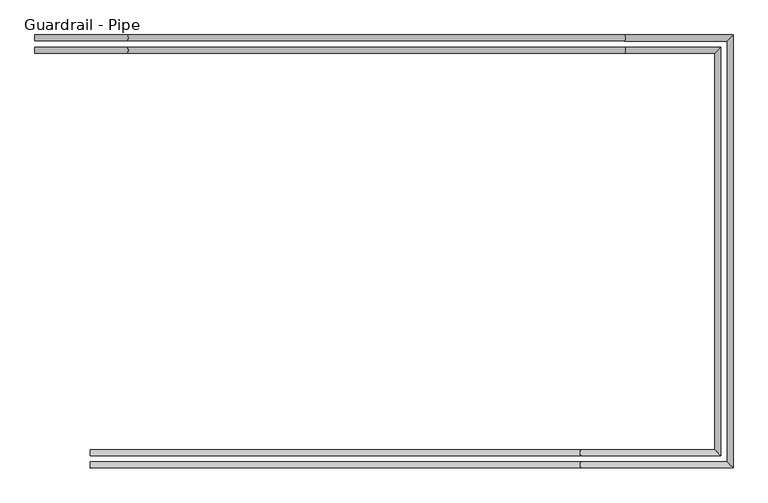
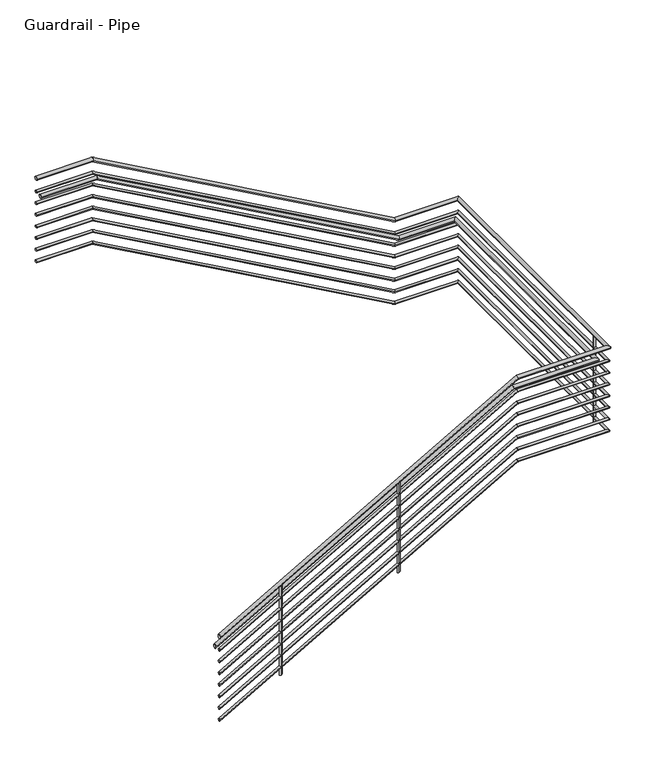
"""IFC4 building model written with IfcOpenShell, lengths in millimetres: railing geometry, Guardrail - Pipe."""

from ifc_helpers import new_model, si_unit, point, frame, frame_2d, origin, place, context, project, spatial, circle_curve, ellipse_curve, trimmed, segment, composite_curve, outline, extrude, source, transform, mapped, element, save
from ifc_brep_helpers import plane_surface, cylinder_surface, advanced_brep


def guardrail_pipe_d7b10b3a(model_context):
    return source(origin(), model_context, "Body", "SolidModel", [
        advanced_brep(
        [(2369.5904629, -21101.8840928, 12325.35), (2369.5904629, -21063.7840928, 12325.35), (2948.8126111, -21101.8840928, 12325.35), (2948.8126111, -21063.7840928, 12325.35), (6067.4829188, -21101.8840928, 10576.0630435), (6067.4829188, -21063.7840928, 10576.0630435), (6709.6952881, -21101.8840928, 10576.0630435), (6747.7952881, -21063.7840928, 10576.0630435), (6709.6952881, -23740.9587769, 10576.0630435), (6747.7952881, -23779.0587769, 10576.0630435), (5793.9869162, -23740.9587769, 10576.0630435), (5793.9869162, -23779.0587769, 10576.0630435), (2715.5452881, -23740.9587769, 8823.9065437), (2715.5452881, -23779.0587769, 8823.9065437)],
        [
            (0, 1, circle_curve(frame((2369.5904629, -21082.8340928, 12325.35), z_axis=(-1.0, 0.0, 0.0), x_axis=(0.0, 1.0, 0.0)), 19.05)),
            (1, 0, circle_curve(frame((2369.5904629, -21082.8340928, 12325.35), z_axis=(-1.0, 0.0, 0.0), x_axis=(0.0, 1.0, 0.0)), 19.05)),
            (0, 2),
            (2, 3, ellipse_curve(frame((2948.8126111, -21082.8340928, 12325.35), z_axis=(-0.96751439811608, 0.0, 0.2528159200645391), x_axis=(-0.25281592006453923, 0.0, -0.96751439811608)), 19.6896295, 19.05)),
            (3, 1),
            (3, 2, ellipse_curve(frame((2948.8126111, -21082.8340928, 12325.35), z_axis=(-0.96751439811608, 0.0, 0.2528159200645391), x_axis=(-0.25281592006453923, 0.0, -0.96751439811608)), 19.6896295, 19.05)),
            (2, 4),
            (4, 5, ellipse_curve(frame((6067.4829188, -21082.8340928, 10576.0630435), z_axis=(-0.96751439811608, 0.0, 0.2528159200645391), x_axis=(0.25281592006453923, 0.0, 0.9675143981160799)), 19.6896295, 19.05)),
            (5, 3),
            (5, 4, ellipse_curve(frame((6067.4829188, -21082.8340928, 10576.0630435), z_axis=(-0.96751439811608, 0.0, 0.2528159200645391), x_axis=(0.25281592006453923, 0.0, 0.9675143981160799)), 19.6896295, 19.05)),
            (4, 6),
            (6, 7, ellipse_curve(frame((6728.7452881, -21082.8340928, 10576.0630435), z_axis=(-0.7071067811865435, 0.7071067811865515, 0.0), x_axis=(-0.7071067811865516, -0.7071067811865434, 0.0)), 26.9407684, 19.05)),
            (7, 5),
            (7, 6, ellipse_curve(frame((6728.7452881, -21082.8340928, 10576.0630435), z_axis=(-0.7071067811865435, 0.7071067811865515, 0.0), x_axis=(-0.7071067811865516, -0.7071067811865434, 0.0)), 26.9407684, 19.05)),
            (6, 8),
            (8, 9, ellipse_curve(frame((6728.7452881, -23760.0087769, 10576.0630435), z_axis=(0.7071067811865516, 0.7071067811865435, 0.0), x_axis=(-0.7071067811865435, 0.7071067811865516, 0.0)), 26.9407684, 19.05)),
            (9, 7),
            (9, 8, ellipse_curve(frame((6728.7452881, -23760.0087769, 10576.0630435), z_axis=(0.7071067811865516, 0.7071067811865435, 0.0), x_axis=(-0.7071067811865435, 0.7071067811865516, 0.0)), 26.9407684, 19.05)),
            (8, 10),
            (10, 11, ellipse_curve(frame((5793.9869162, -23760.0087769, 10576.0630435), z_axis=(0.9667180176221511, 0.0, 0.2558442385606879), x_axis=(0.2558442385606882, 0.0, -0.9667180176221513)), 19.7058497, 19.05)),
            (11, 9),
            (11, 10, ellipse_curve(frame((5793.9869162, -23760.0087769, 10576.0630435), z_axis=(0.9667180176221511, 0.0, 0.2558442385606879), x_axis=(0.2558442385606882, 0.0, -0.9667180176221513)), 19.7058497, 19.05)),
            (12, 13, ellipse_curve(frame((2715.5452881, -23760.0087769, 8823.9065437), z_axis=(-1.0, 0.0, 0.0), x_axis=(0.0, 0.0, 1.0)), 21.9195433, 19.05)),
            (13, 12, ellipse_curve(frame((2715.5452881, -23760.0087769, 8823.9065437), z_axis=(-1.0, 0.0, 0.0), x_axis=(0.0, 0.0, 1.0)), 21.9195433, 19.05)),
            (10, 12),
            (13, 11),
        ],
        [
            plane_surface(frame((2369.5904629, -21082.8340928, 12344.4), z_axis=(-1.0, 0.0, 0.0), x_axis=(0.0, 1.0, 0.0))),
            cylinder_surface(frame((2369.5904629, -21082.8340928, 12325.35), z_axis=(-1.0, 0.0, 0.0), x_axis=(0.0, 1.0, 0.0)), 19.05),
            cylinder_surface(frame((2944.471087, -21082.8340928, 12327.7851954), z_axis=(-0.8721682211238412, 0.0, 0.4892060854708111), x_axis=(0.0, 1.0, 0.0)), 19.05),
            cylinder_surface(frame((6072.4607706, -21082.8340928, 10576.0630435), z_axis=(-1.0, 0.0, 0.0), x_axis=(0.0, 1.0, 0.0)), 19.05),
            cylinder_surface(frame((6728.7452881, -21082.8340928, 10576.0630435), z_axis=(0.0, 1.0, 0.0), x_axis=(1.0, 0.0, 0.0)), 19.05),
            cylinder_surface(frame((6728.7452881, -23760.0087769, 10576.0630435), z_axis=(1.0, 0.0, 0.0), x_axis=(0.0, -1.0, 0.0)), 19.05),
            plane_surface(frame((2715.5452881, -23760.0087769, 8845.826087), z_axis=(-1.0, 0.0, 0.0), x_axis=(0.0, -1.0, 0.0))),
            cylinder_surface(frame((5798.3685319, -23760.0087769, 10578.5569275), z_axis=(0.8690874511906037, 0.0, 0.49465847024287385), x_axis=(0.0, -1.0, 0.0)), 19.05),
        ],
        [
            (0, [[1, 2]]),
            (1, [[-1, 3, 4, 5]]),
            (1, [[-2, -5, 6, -3]]),
            (2, [[-4, 7, 8, 9]]),
            (2, [[-6, -9, 10, -7]]),
            (3, [[-8, 11, 12, 13]]),
            (3, [[-10, -13, 14, -11]]),
            (4, [[-12, 15, 16, 17]]),
            (4, [[-14, -17, 18, -15]]),
            (5, [[-16, 19, 20, 21]]),
            (5, [[-18, -21, 22, -19]]),
            (6, [[23, 24]]),
            (7, [[-20, 25, -24, 26]]),
            (7, [[-22, -26, -23, -25]]),
        ],
    ),
        advanced_brep(
        [(2369.5904629, -21095.5340928, 12179.3), (2369.5904629, -21070.1340928, 12179.3), (2950.471895, -21095.5340928, 12179.3), (2950.471895, -21070.1340928, 12179.3), (6069.1422027, -21095.5340928, 10430.0130435), (6069.1422027, -21070.1340928, 10430.0130435), (6716.0452881, -21095.5340928, 10430.0130435), (6741.4452881, -21070.1340928, 10430.0130435), (6716.0452881, -23747.3087769, 10430.0130435), (6741.4452881, -23772.7087769, 10430.0130435), (5792.3063735, -23747.3087769, 10430.0130435), (5792.3063735, -23772.7087769, 10430.0130435), (2715.5452881, -23747.3087769, 8678.8130581), (2715.5452881, -23772.7087769, 8678.8130581)],
        [
            (0, 1, circle_curve(frame((2369.5904629, -21082.8340928, 12179.3), z_axis=(-1.0, 0.0, 0.0), x_axis=(0.0, 1.0, 0.0)), 12.7)),
            (1, 0, circle_curve(frame((2369.5904629, -21082.8340928, 12179.3), z_axis=(-1.0, 0.0, 0.0), x_axis=(0.0, 1.0, 0.0)), 12.7)),
            (0, 2),
            (2, 3, ellipse_curve(frame((2950.471895, -21082.8340928, 12179.3), z_axis=(-0.96751439811608, 0.0, 0.2528159200645391), x_axis=(-0.25281592006453923, 0.0, -0.96751439811608)), 13.1264196, 12.7)),
            (3, 1),
            (3, 2, ellipse_curve(frame((2950.471895, -21082.8340928, 12179.3), z_axis=(-0.96751439811608, 0.0, 0.2528159200645391), x_axis=(-0.25281592006453923, 0.0, -0.96751439811608)), 13.1264196, 12.7)),
            (2, 4),
            (4, 5, ellipse_curve(frame((6069.1422027, -21082.8340928, 10430.0130435), z_axis=(-0.96751439811608, 0.0, 0.2528159200645391), x_axis=(0.25281592006453923, 0.0, 0.9675143981160799)), 13.1264196, 12.7)),
            (5, 3),
            (5, 4, ellipse_curve(frame((6069.1422027, -21082.8340928, 10430.0130435), z_axis=(-0.96751439811608, 0.0, 0.2528159200645391), x_axis=(0.25281592006453923, 0.0, 0.9675143981160799)), 13.1264196, 12.7)),
            (4, 6),
            (6, 7, ellipse_curve(frame((6728.7452881, -21082.8340928, 10430.0130435), z_axis=(-0.7071067811865435, 0.7071067811865515, 0.0), x_axis=(-0.7071067811865516, -0.7071067811865434, 0.0)), 17.9605122, 12.7)),
            (7, 5),
            (7, 6, ellipse_curve(frame((6728.7452881, -21082.8340928, 10430.0130435), z_axis=(-0.7071067811865435, 0.7071067811865515, 0.0), x_axis=(-0.7071067811865516, -0.7071067811865434, 0.0)), 17.9605122, 12.7)),
            (6, 8),
            (8, 9, ellipse_curve(frame((6728.7452881, -23760.0087769, 10430.0130435), z_axis=(0.7071067811865516, 0.7071067811865435, 0.0), x_axis=(-0.7071067811865435, 0.7071067811865516, 0.0)), 17.9605122, 12.7)),
            (9, 7),
            (9, 8, ellipse_curve(frame((6728.7452881, -23760.0087769, 10430.0130435), z_axis=(0.7071067811865516, 0.7071067811865435, 0.0), x_axis=(-0.7071067811865435, 0.7071067811865516, 0.0)), 17.9605122, 12.7)),
            (8, 10),
            (10, 11, ellipse_curve(frame((5792.3063735, -23760.0087769, 10430.0130435), z_axis=(0.9667180176221511, 0.0, 0.2558442385606879), x_axis=(0.2558442385606882, 0.0, -0.9667180176221513)), 13.1372332, 12.7)),
            (11, 9),
            (11, 10, ellipse_curve(frame((5792.3063735, -23760.0087769, 10430.0130435), z_axis=(0.9667180176221511, 0.0, 0.2558442385606879), x_axis=(0.2558442385606882, 0.0, -0.9667180176221513)), 13.1372332, 12.7)),
            (12, 13, ellipse_curve(frame((2715.5452881, -23760.0087769, 8678.8130581), z_axis=(-1.0, 0.0, 0.0), x_axis=(0.0, 0.0, 1.0)), 14.6130289, 12.7)),
            (13, 12, ellipse_curve(frame((2715.5452881, -23760.0087769, 8678.8130581), z_axis=(-1.0, 0.0, 0.0), x_axis=(0.0, 0.0, 1.0)), 14.6130289, 12.7)),
            (10, 12),
            (13, 11),
        ],
        [
            plane_surface(frame((2369.5904629, -21082.8340928, 12192.0), z_axis=(-1.0, 0.0, 0.0), x_axis=(0.0, 1.0, 0.0))),
            cylinder_surface(frame((2369.5904629, -21082.8340928, 12179.3), z_axis=(-1.0, 0.0, 0.0), x_axis=(0.0, 1.0, 0.0)), 12.7),
            cylinder_surface(frame((2947.5775456, -21082.8340928, 12180.9234636), z_axis=(-0.8721682211238412, 0.0, 0.4892060854708111), x_axis=(0.0, 1.0, 0.0)), 12.7),
            cylinder_surface(frame((6072.4607706, -21082.8340928, 10430.0130435), z_axis=(-1.0, 0.0, 0.0), x_axis=(0.0, 1.0, 0.0)), 12.7),
            cylinder_surface(frame((6728.7452881, -21082.8340928, 10430.0130435), z_axis=(0.0, 1.0, 0.0), x_axis=(1.0, 0.0, 0.0)), 12.7),
            cylinder_surface(frame((6728.7452881, -23760.0087769, 10430.0130435), z_axis=(1.0, 0.0, 0.0), x_axis=(0.0, -1.0, 0.0)), 12.7),
            plane_surface(frame((2715.5452881, -23760.0087769, 8693.426087), z_axis=(-1.0, 0.0, 0.0), x_axis=(0.0, -1.0, 0.0))),
            cylinder_surface(frame((5795.2274506, -23760.0087769, 10431.6756328), z_axis=(0.8690874511906037, 0.0, 0.49465847024287385), x_axis=(0.0, -1.0, 0.0)), 12.7),
        ],
        [
            (0, [[1, 2]]),
            (1, [[-1, 3, 4, 5]]),
            (1, [[-2, -5, 6, -3]]),
            (2, [[-4, 7, 8, 9]]),
            (2, [[-6, -9, 10, -7]]),
            (3, [[-8, 11, 12, 13]]),
            (3, [[-10, -13, 14, -11]]),
            (4, [[-12, 15, 16, 17]]),
            (4, [[-14, -17, 18, -15]]),
            (5, [[-16, 19, 20, 21]]),
            (5, [[-18, -21, 22, -19]]),
            (6, [[23, 24]]),
            (7, [[-20, 25, -24, 26]]),
            (7, [[-22, -26, -23, -25]]),
        ],
    ),
        advanced_brep(
        [(2369.5904629, -21178.0840928, 12172.95), (2369.5904629, -21139.9840928, 12172.95), (2948.8126111, -21178.0840928, 12172.95), (2948.8126111, -21139.9840928, 12172.95), (6067.4829188, -21178.0840928, 10423.6630435), (6067.4829188, -21139.9840928, 10423.6630435), (6633.4952881, -21178.0840928, 10423.6630435), (6671.5952881, -21139.9840928, 10423.6630435), (6633.4952881, -23664.7587769, 10423.6630435), (6671.5952881, -23702.8587769, 10423.6630435), (5793.9869162, -23664.7587769, 10423.6630435), (5793.9869162, -23702.8587769, 10423.6630435), (2715.5452881, -23664.7587769, 8671.5065437), (2715.5452881, -23702.8587769, 8671.5065437)],
        [
            (0, 1, circle_curve(frame((2369.5904629, -21159.0340928, 12172.95), z_axis=(-1.0, 0.0, 0.0), x_axis=(0.0, 1.0, 0.0)), 19.05)),
            (1, 0, circle_curve(frame((2369.5904629, -21159.0340928, 12172.95), z_axis=(-1.0, 0.0, 0.0), x_axis=(0.0, 1.0, 0.0)), 19.05)),
            (0, 2),
            (2, 3, ellipse_curve(frame((2948.8126111, -21159.0340928, 12172.95), z_axis=(-0.9675143981160801, 0.0, 0.25281592006453923), x_axis=(-0.25281592006453824, 0.0, -0.9675143981160801)), 19.6896295, 19.05)),
            (3, 1),
            (3, 2, ellipse_curve(frame((2948.8126111, -21159.0340928, 12172.95), z_axis=(-0.9675143981160801, 0.0, 0.25281592006453923), x_axis=(-0.25281592006453824, 0.0, -0.9675143981160801)), 19.6896295, 19.05)),
            (2, 4),
            (4, 5, ellipse_curve(frame((6067.4829188, -21159.0340928, 10423.6630435), z_axis=(-0.9675143981160801, 0.0, 0.25281592006453923), x_axis=(0.25281592006454007, 0.0, 0.9675143981160796)), 19.6896295, 19.05)),
            (5, 3),
            (5, 4, ellipse_curve(frame((6067.4829188, -21159.0340928, 10423.6630435), z_axis=(-0.9675143981160801, 0.0, 0.25281592006453923), x_axis=(0.25281592006454007, 0.0, 0.9675143981160796)), 19.6896295, 19.05)),
            (4, 6),
            (6, 7, ellipse_curve(frame((6652.5452881, -21159.0340928, 10423.6630435), z_axis=(-0.7071067811865435, 0.7071067811865515, 0.0), x_axis=(-0.7071067811865516, -0.7071067811865434, 0.0)), 26.9407684, 19.05)),
            (7, 5),
            (7, 6, ellipse_curve(frame((6652.5452881, -21159.0340928, 10423.6630435), z_axis=(-0.7071067811865435, 0.7071067811865515, 0.0), x_axis=(-0.7071067811865516, -0.7071067811865434, 0.0)), 26.9407684, 19.05)),
            (6, 8),
            (8, 9, ellipse_curve(frame((6652.5452881, -23683.8087769, 10423.6630435), z_axis=(0.7071067811865516, 0.7071067811865435, 0.0), x_axis=(-0.7071067811865435, 0.7071067811865516, 0.0)), 26.9407684, 19.05)),
            (9, 7),
            (9, 8, ellipse_curve(frame((6652.5452881, -23683.8087769, 10423.6630435), z_axis=(0.7071067811865516, 0.7071067811865435, 0.0), x_axis=(-0.7071067811865435, 0.7071067811865516, 0.0)), 26.9407684, 19.05)),
            (8, 10),
            (10, 11, ellipse_curve(frame((5793.9869162, -23683.8087769, 10423.6630435), z_axis=(0.9667180176221511, 0.0, 0.25584423856068794), x_axis=(0.2558442385606882, 0.0, -0.9667180176221513)), 19.7058497, 19.05)),
            (11, 9),
            (11, 10, ellipse_curve(frame((5793.9869162, -23683.8087769, 10423.6630435), z_axis=(0.9667180176221511, 0.0, 0.25584423856068794), x_axis=(0.2558442385606882, 0.0, -0.9667180176221513)), 19.7058497, 19.05)),
            (12, 13, ellipse_curve(frame((2715.5452881, -23683.8087769, 8671.5065437), z_axis=(-1.0, 0.0, 0.0), x_axis=(0.0, 0.0, 1.0)), 21.9195433, 19.05)),
            (13, 12, ellipse_curve(frame((2715.5452881, -23683.8087769, 8671.5065437), z_axis=(-1.0, 0.0, 0.0), x_axis=(0.0, 0.0, 1.0)), 21.9195433, 19.05)),
            (10, 12),
            (13, 11),
        ],
        [
            plane_surface(frame((2369.5904629, -21159.0340928, 12192.0), z_axis=(-1.0, 0.0, 0.0), x_axis=(0.0, 1.0, 0.0))),
            cylinder_surface(frame((2369.5904629, -21159.0340928, 12172.95), z_axis=(-1.0, 0.0, 0.0), x_axis=(0.0, 1.0, 0.0)), 19.05),
            cylinder_surface(frame((2944.471087, -21159.0340928, 12175.3851954), z_axis=(-0.8721682211238411, 0.0, 0.48920608547081124), x_axis=(0.0, 1.0, 0.0)), 19.05),
            cylinder_surface(frame((6072.4607706, -21159.0340928, 10423.6630435), z_axis=(-1.0, 0.0, 0.0), x_axis=(0.0, 1.0, 0.0)), 19.05),
            cylinder_surface(frame((6652.5452881, -21159.0340928, 10423.6630435), z_axis=(0.0, 1.0, 0.0), x_axis=(1.0, 0.0, 0.0)), 19.05),
            cylinder_surface(frame((6652.5452881, -23683.8087769, 10423.6630435), z_axis=(1.0, 0.0, 0.0), x_axis=(0.0, -1.0, 0.0)), 19.05),
            plane_surface(frame((2715.5452881, -23683.8087769, 8693.426087), z_axis=(-1.0, 0.0, 0.0), x_axis=(0.0, -1.0, 0.0))),
            cylinder_surface(frame((5798.3685319, -23683.8087769, 10426.1569275), z_axis=(0.8690874511906037, 0.0, 0.4946584702428739), x_axis=(0.0, -1.0, 0.0)), 19.05),
        ],
        [
            (0, [[1, 2]]),
            (1, [[-1, 3, 4, 5]]),
            (1, [[-2, -5, 6, -3]]),
            (2, [[-4, 7, 8, 9]]),
            (2, [[-6, -9, 10, -7]]),
            (3, [[-8, 11, 12, 13]]),
            (3, [[-10, -13, 14, -11]]),
            (4, [[-12, 15, 16, 17]]),
            (4, [[-14, -17, 18, -15]]),
            (5, [[-16, 19, 20, 21]]),
            (5, [[-18, -21, 22, -19]]),
            (6, [[23, 24]]),
            (7, [[-20, 25, -24, 26]]),
            (7, [[-22, -26, -23, -25]]),
        ],
    ),
        advanced_brep(
        [(2369.5904629, -21095.5340928, 12052.3), (2369.5904629, -21070.1340928, 12052.3), (2950.471895, -21095.5340928, 12052.3), (2950.471895, -21070.1340928, 12052.3), (6069.1422027, -21095.5340928, 10303.0130435), (6069.1422027, -21070.1340928, 10303.0130435), (6716.0452881, -21095.5340928, 10303.0130435), (6741.4452881, -21070.1340928, 10303.0130435), (6716.0452881, -23747.3087769, 10303.0130435), (6741.4452881, -23772.7087769, 10303.0130435), (5792.3063735, -23747.3087769, 10303.0130435), (5792.3063735, -23772.7087769, 10303.0130435), (2715.5452881, -23747.3087769, 8551.8130581), (2715.5452881, -23772.7087769, 8551.8130581)],
        [
            (0, 1, circle_curve(frame((2369.5904629, -21082.8340928, 12052.3), z_axis=(-1.0, 0.0, 0.0), x_axis=(0.0, 1.0, 0.0)), 12.7)),
            (1, 0, circle_curve(frame((2369.5904629, -21082.8340928, 12052.3), z_axis=(-1.0, 0.0, 0.0), x_axis=(0.0, 1.0, 0.0)), 12.7)),
            (0, 2),
            (2, 3, ellipse_curve(frame((2950.471895, -21082.8340928, 12052.3), z_axis=(-0.96751439811608, 0.0, 0.2528159200645391), x_axis=(-0.25281592006453923, 0.0, -0.96751439811608)), 13.1264196, 12.7)),
            (3, 1),
            (3, 2, ellipse_curve(frame((2950.471895, -21082.8340928, 12052.3), z_axis=(-0.96751439811608, 0.0, 0.2528159200645391), x_axis=(-0.25281592006453923, 0.0, -0.96751439811608)), 13.1264196, 12.7)),
            (2, 4),
            (4, 5, ellipse_curve(frame((6069.1422027, -21082.8340928, 10303.0130435), z_axis=(-0.96751439811608, 0.0, 0.2528159200645391), x_axis=(0.25281592006453923, 0.0, 0.9675143981160799)), 13.1264196, 12.7)),
            (5, 3),
            (5, 4, ellipse_curve(frame((6069.1422027, -21082.8340928, 10303.0130435), z_axis=(-0.96751439811608, 0.0, 0.2528159200645391), x_axis=(0.25281592006453923, 0.0, 0.9675143981160799)), 13.1264196, 12.7)),
            (4, 6),
            (6, 7, ellipse_curve(frame((6728.7452881, -21082.8340928, 10303.0130435), z_axis=(-0.7071067811865435, 0.7071067811865515, 0.0), x_axis=(-0.7071067811865516, -0.7071067811865434, 0.0)), 17.9605122, 12.7)),
            (7, 5),
            (7, 6, ellipse_curve(frame((6728.7452881, -21082.8340928, 10303.0130435), z_axis=(-0.7071067811865435, 0.7071067811865515, 0.0), x_axis=(-0.7071067811865516, -0.7071067811865434, 0.0)), 17.9605122, 12.7)),
            (6, 8),
            (8, 9, ellipse_curve(frame((6728.7452881, -23760.0087769, 10303.0130435), z_axis=(0.7071067811865516, 0.7071067811865435, 0.0), x_axis=(-0.7071067811865435, 0.7071067811865516, 0.0)), 17.9605122, 12.7)),
            (9, 7),
            (9, 8, ellipse_curve(frame((6728.7452881, -23760.0087769, 10303.0130435), z_axis=(0.7071067811865516, 0.7071067811865435, 0.0), x_axis=(-0.7071067811865435, 0.7071067811865516, 0.0)), 17.9605122, 12.7)),
            (8, 10),
            (10, 11, ellipse_curve(frame((5792.3063735, -23760.0087769, 10303.0130435), z_axis=(0.9667180176221513, 0.0, 0.2558442385606877), x_axis=(0.2558442385606875, 0.0, -0.9667180176221513)), 13.1372332, 12.7)),
            (11, 9),
            (11, 10, ellipse_curve(frame((5792.3063735, -23760.0087769, 10303.0130435), z_axis=(0.9667180176221513, 0.0, 0.2558442385606877), x_axis=(0.2558442385606875, 0.0, -0.9667180176221513)), 13.1372332, 12.7)),
            (12, 13, ellipse_curve(frame((2715.5452881, -23760.0087769, 8551.8130581), z_axis=(-1.0, 0.0, 0.0), x_axis=(0.0, 0.0, 1.0)), 14.6130289, 12.7)),
            (13, 12, ellipse_curve(frame((2715.5452881, -23760.0087769, 8551.8130581), z_axis=(-1.0, 0.0, 0.0), x_axis=(0.0, 0.0, 1.0)), 14.6130289, 12.7)),
            (10, 12),
            (13, 11),
        ],
        [
            plane_surface(frame((2369.5904629, -21082.8340928, 12065.0), z_axis=(-1.0, 0.0, 0.0), x_axis=(0.0, 1.0, 0.0))),
            cylinder_surface(frame((2369.5904629, -21082.8340928, 12052.3), z_axis=(-1.0, 0.0, 0.0), x_axis=(0.0, 1.0, 0.0)), 12.7),
            cylinder_surface(frame((2947.5775456, -21082.8340928, 12053.9234636), z_axis=(-0.8721682211238412, 0.0, 0.4892060854708111), x_axis=(0.0, 1.0, 0.0)), 12.7),
            cylinder_surface(frame((6072.4607706, -21082.8340928, 10303.0130435), z_axis=(-1.0, 0.0, 0.0), x_axis=(0.0, 1.0, 0.0)), 12.7),
            cylinder_surface(frame((6728.7452881, -21082.8340928, 10303.0130435), z_axis=(0.0, 1.0, 0.0), x_axis=(1.0, 0.0, 0.0)), 12.7),
            cylinder_surface(frame((6728.7452881, -23760.0087769, 10303.0130435), z_axis=(1.0, 0.0, 0.0), x_axis=(0.0, -1.0, 0.0)), 12.7),
            plane_surface(frame((2715.5452881, -23760.0087769, 8566.426087), z_axis=(-1.0, 0.0, 0.0), x_axis=(0.0, -1.0, 0.0))),
            cylinder_surface(frame((5795.2274506, -23760.0087769, 10304.6756328), z_axis=(0.8690874511906038, 0.0, 0.4946584702428736), x_axis=(0.0, -1.0, 0.0)), 12.7),
        ],
        [
            (0, [[1, 2]]),
            (1, [[-1, 3, 4, 5]]),
            (1, [[-2, -5, 6, -3]]),
            (2, [[-4, 7, 8, 9]]),
            (2, [[-6, -9, 10, -7]]),
            (3, [[-8, 11, 12, 13]]),
            (3, [[-10, -13, 14, -11]]),
            (4, [[-12, 15, 16, 17]]),
            (4, [[-14, -17, 18, -15]]),
            (5, [[-16, 19, 20, 21]]),
            (5, [[-18, -21, 22, -19]]),
            (6, [[23, 24]]),
            (7, [[-20, 25, -24, 26]]),
            (7, [[-22, -26, -23, -25]]),
        ],
    ),
        advanced_brep(
        [(2369.5904629, -21095.5340928, 11925.3), (2369.5904629, -21070.1340928, 11925.3), (2950.471895, -21095.5340928, 11925.3), (2950.471895, -21070.1340928, 11925.3), (6069.1422027, -21095.5340928, 10176.0130435), (6069.1422027, -21070.1340928, 10176.0130435), (6716.0452881, -21095.5340928, 10176.0130435), (6741.4452881, -21070.1340928, 10176.0130435), (6716.0452881, -23747.3087769, 10176.0130435), (6741.4452881, -23772.7087769, 10176.0130435), (5792.3063735, -23747.3087769, 10176.0130435), (5792.3063735, -23772.7087769, 10176.0130435), (2715.5452881, -23747.3087769, 8424.8130581), (2715.5452881, -23772.7087769, 8424.8130581)],
        [
            (0, 1, circle_curve(frame((2369.5904629, -21082.8340928, 11925.3), z_axis=(-1.0, 0.0, 0.0), x_axis=(0.0, 1.0, 0.0)), 12.7)),
            (1, 0, circle_curve(frame((2369.5904629, -21082.8340928, 11925.3), z_axis=(-1.0, 0.0, 0.0), x_axis=(0.0, 1.0, 0.0)), 12.7)),
            (0, 2),
            (2, 3, ellipse_curve(frame((2950.471895, -21082.8340928, 11925.3), z_axis=(-0.96751439811608, 0.0, 0.2528159200645391), x_axis=(-0.25281592006453923, 0.0, -0.96751439811608)), 13.1264196, 12.7)),
            (3, 1),
            (3, 2, ellipse_curve(frame((2950.471895, -21082.8340928, 11925.3), z_axis=(-0.96751439811608, 0.0, 0.2528159200645391), x_axis=(-0.25281592006453923, 0.0, -0.96751439811608)), 13.1264196, 12.7)),
            (2, 4),
            (4, 5, ellipse_curve(frame((6069.1422027, -21082.8340928, 10176.0130435), z_axis=(-0.96751439811608, 0.0, 0.2528159200645391), x_axis=(0.25281592006453923, 0.0, 0.9675143981160799)), 13.1264196, 12.7)),
            (5, 3),
            (5, 4, ellipse_curve(frame((6069.1422027, -21082.8340928, 10176.0130435), z_axis=(-0.96751439811608, 0.0, 0.2528159200645391), x_axis=(0.25281592006453923, 0.0, 0.9675143981160799)), 13.1264196, 12.7)),
            (4, 6),
            (6, 7, ellipse_curve(frame((6728.7452881, -21082.8340928, 10176.0130435), z_axis=(-0.7071067811865435, 0.7071067811865515, 0.0), x_axis=(-0.7071067811865516, -0.7071067811865434, 0.0)), 17.9605122, 12.7)),
            (7, 5),
            (7, 6, ellipse_curve(frame((6728.7452881, -21082.8340928, 10176.0130435), z_axis=(-0.7071067811865435, 0.7071067811865515, 0.0), x_axis=(-0.7071067811865516, -0.7071067811865434, 0.0)), 17.9605122, 12.7)),
            (6, 8),
            (8, 9, ellipse_curve(frame((6728.7452881, -23760.0087769, 10176.0130435), z_axis=(0.7071067811865516, 0.7071067811865435, 0.0), x_axis=(-0.7071067811865435, 0.7071067811865516, 0.0)), 17.9605122, 12.7)),
            (9, 7),
            (9, 8, ellipse_curve(frame((6728.7452881, -23760.0087769, 10176.0130435), z_axis=(0.7071067811865516, 0.7071067811865435, 0.0), x_axis=(-0.7071067811865435, 0.7071067811865516, 0.0)), 17.9605122, 12.7)),
            (8, 10),
            (10, 11, ellipse_curve(frame((5792.3063735, -23760.0087769, 10176.0130435), z_axis=(0.9667180176221513, 0.0, 0.2558442385606877), x_axis=(0.2558442385606875, 0.0, -0.9667180176221513)), 13.1372332, 12.7)),
            (11, 9),
            (11, 10, ellipse_curve(frame((5792.3063735, -23760.0087769, 10176.0130435), z_axis=(0.9667180176221513, 0.0, 0.2558442385606877), x_axis=(0.2558442385606875, 0.0, -0.9667180176221513)), 13.1372332, 12.7)),
            (12, 13, ellipse_curve(frame((2715.5452881, -23760.0087769, 8424.8130581), z_axis=(-1.0, 0.0, 0.0), x_axis=(0.0, 0.0, 1.0)), 14.6130289, 12.7)),
            (13, 12, ellipse_curve(frame((2715.5452881, -23760.0087769, 8424.8130581), z_axis=(-1.0, 0.0, 0.0), x_axis=(0.0, 0.0, 1.0)), 14.6130289, 12.7)),
            (10, 12),
            (13, 11),
        ],
        [
            plane_surface(frame((2369.5904629, -21082.8340928, 11938.0), z_axis=(-1.0, 0.0, 0.0), x_axis=(0.0, 1.0, 0.0))),
            cylinder_surface(frame((2369.5904629, -21082.8340928, 11925.3), z_axis=(-1.0, 0.0, 0.0), x_axis=(0.0, 1.0, 0.0)), 12.7),
            cylinder_surface(frame((2947.5775456, -21082.8340928, 11926.9234636), z_axis=(-0.8721682211238412, 0.0, 0.4892060854708111), x_axis=(0.0, 1.0, 0.0)), 12.7),
            cylinder_surface(frame((6072.4607706, -21082.8340928, 10176.0130435), z_axis=(-1.0, 0.0, 0.0), x_axis=(0.0, 1.0, 0.0)), 12.7),
            cylinder_surface(frame((6728.7452881, -21082.8340928, 10176.0130435), z_axis=(0.0, 1.0, 0.0), x_axis=(1.0, 0.0, 0.0)), 12.7),
            cylinder_surface(frame((6728.7452881, -23760.0087769, 10176.0130435), z_axis=(1.0, 0.0, 0.0), x_axis=(0.0, -1.0, 0.0)), 12.7),
            plane_surface(frame((2715.5452881, -23760.0087769, 8439.426087), z_axis=(-1.0, 0.0, 0.0), x_axis=(0.0, -1.0, 0.0))),
            cylinder_surface(frame((5795.2274506, -23760.0087769, 10177.6756328), z_axis=(0.8690874511906038, 0.0, 0.4946584702428736), x_axis=(0.0, -1.0, 0.0)), 12.7),
        ],
        [
            (0, [[1, 2]]),
            (1, [[-1, 3, 4, 5]]),
            (1, [[-2, -5, 6, -3]]),
            (2, [[-4, 7, 8, 9]]),
            (2, [[-6, -9, 10, -7]]),
            (3, [[-8, 11, 12, 13]]),
            (3, [[-10, -13, 14, -11]]),
            (4, [[-12, 15, 16, 17]]),
            (4, [[-14, -17, 18, -15]]),
            (5, [[-16, 19, 20, 21]]),
            (5, [[-18, -21, 22, -19]]),
            (6, [[23, 24]]),
            (7, [[-20, 25, -24, 26]]),
            (7, [[-22, -26, -23, -25]]),
        ],
    ),
        advanced_brep(
        [(2369.5904629, -21095.5340928, 11798.3), (2369.5904629, -21070.1340928, 11798.3), (2950.471895, -21095.5340928, 11798.3), (2950.471895, -21070.1340928, 11798.3), (6069.1422027, -21095.5340928, 10049.0130435), (6069.1422027, -21070.1340928, 10049.0130435), (6716.0452881, -21095.5340928, 10049.0130435), (6741.4452881, -21070.1340928, 10049.0130435), (6716.0452881, -23747.3087769, 10049.0130435), (6741.4452881, -23772.7087769, 10049.0130435), (5792.3063735, -23747.3087769, 10049.0130435), (5792.3063735, -23772.7087769, 10049.0130435), (2715.5452881, -23747.3087769, 8297.8130581), (2715.5452881, -23772.7087769, 8297.8130581)],
        [
            (0, 1, circle_curve(frame((2369.5904629, -21082.8340928, 11798.3), z_axis=(-1.0, 0.0, 0.0), x_axis=(0.0, 1.0, 0.0)), 12.7)),
            (1, 0, circle_curve(frame((2369.5904629, -21082.8340928, 11798.3), z_axis=(-1.0, 0.0, 0.0), x_axis=(0.0, 1.0, 0.0)), 12.7)),
            (0, 2),
            (2, 3, ellipse_curve(frame((2950.471895, -21082.8340928, 11798.3), z_axis=(-0.96751439811608, 0.0, 0.2528159200645391), x_axis=(-0.25281592006453923, 0.0, -0.96751439811608)), 13.1264196, 12.7)),
            (3, 1),
            (3, 2, ellipse_curve(frame((2950.471895, -21082.8340928, 11798.3), z_axis=(-0.96751439811608, 0.0, 0.2528159200645391), x_axis=(-0.25281592006453923, 0.0, -0.96751439811608)), 13.1264196, 12.7)),
            (2, 4),
            (4, 5, ellipse_curve(frame((6069.1422027, -21082.8340928, 10049.0130435), z_axis=(-0.96751439811608, 0.0, 0.2528159200645391), x_axis=(0.25281592006453923, 0.0, 0.9675143981160799)), 13.1264196, 12.7)),
            (5, 3),
            (5, 4, ellipse_curve(frame((6069.1422027, -21082.8340928, 10049.0130435), z_axis=(-0.96751439811608, 0.0, 0.2528159200645391), x_axis=(0.25281592006453923, 0.0, 0.9675143981160799)), 13.1264196, 12.7)),
            (4, 6),
            (6, 7, ellipse_curve(frame((6728.7452881, -21082.8340928, 10049.0130435), z_axis=(-0.7071067811865435, 0.7071067811865515, 0.0), x_axis=(-0.7071067811865516, -0.7071067811865434, 0.0)), 17.9605122, 12.7)),
            (7, 5),
            (7, 6, ellipse_curve(frame((6728.7452881, -21082.8340928, 10049.0130435), z_axis=(-0.7071067811865435, 0.7071067811865515, 0.0), x_axis=(-0.7071067811865516, -0.7071067811865434, 0.0)), 17.9605122, 12.7)),
            (6, 8),
            (8, 9, ellipse_curve(frame((6728.7452881, -23760.0087769, 10049.0130435), z_axis=(0.7071067811865516, 0.7071067811865435, 0.0), x_axis=(-0.7071067811865435, 0.7071067811865516, 0.0)), 17.9605122, 12.7)),
            (9, 7),
            (9, 8, ellipse_curve(frame((6728.7452881, -23760.0087769, 10049.0130435), z_axis=(0.7071067811865516, 0.7071067811865435, 0.0), x_axis=(-0.7071067811865435, 0.7071067811865516, 0.0)), 17.9605122, 12.7)),
            (8, 10),
            (10, 11, ellipse_curve(frame((5792.3063735, -23760.0087769, 10049.0130435), z_axis=(0.9667180176221511, 0.0, 0.2558442385606879), x_axis=(0.2558442385606882, 0.0, -0.9667180176221513)), 13.1372332, 12.7)),
            (11, 9),
            (11, 10, ellipse_curve(frame((5792.3063735, -23760.0087769, 10049.0130435), z_axis=(0.9667180176221511, 0.0, 0.2558442385606879), x_axis=(0.2558442385606882, 0.0, -0.9667180176221513)), 13.1372332, 12.7)),
            (12, 13, ellipse_curve(frame((2715.5452881, -23760.0087769, 8297.8130581), z_axis=(-1.0, 0.0, 0.0), x_axis=(0.0, 0.0, 1.0)), 14.6130289, 12.7)),
            (13, 12, ellipse_curve(frame((2715.5452881, -23760.0087769, 8297.8130581), z_axis=(-1.0, 0.0, 0.0), x_axis=(0.0, 0.0, 1.0)), 14.6130289, 12.7)),
            (10, 12),
            (13, 11),
        ],
        [
            plane_surface(frame((2369.5904629, -21082.8340928, 11811.0), z_axis=(-1.0, 0.0, 0.0), x_axis=(0.0, 1.0, 0.0))),
            cylinder_surface(frame((2369.5904629, -21082.8340928, 11798.3), z_axis=(-1.0, 0.0, 0.0), x_axis=(0.0, 1.0, 0.0)), 12.7),
            cylinder_surface(frame((2947.5775456, -21082.8340928, 11799.9234636), z_axis=(-0.8721682211238412, 0.0, 0.4892060854708111), x_axis=(0.0, 1.0, 0.0)), 12.7),
            cylinder_surface(frame((6072.4607706, -21082.8340928, 10049.0130435), z_axis=(-1.0, 0.0, 0.0), x_axis=(0.0, 1.0, 0.0)), 12.7),
            cylinder_surface(frame((6728.7452881, -21082.8340928, 10049.0130435), z_axis=(0.0, 1.0, 0.0), x_axis=(1.0, 0.0, 0.0)), 12.7),
            cylinder_surface(frame((6728.7452881, -23760.0087769, 10049.0130435), z_axis=(1.0, 0.0, 0.0), x_axis=(0.0, -1.0, 0.0)), 12.7),
            plane_surface(frame((2715.5452881, -23760.0087769, 8312.426087), z_axis=(-1.0, 0.0, 0.0), x_axis=(0.0, -1.0, 0.0))),
            cylinder_surface(frame((5795.2274506, -23760.0087769, 10050.6756328), z_axis=(0.8690874511906037, 0.0, 0.49465847024287385), x_axis=(0.0, -1.0, 0.0)), 12.7),
        ],
        [
            (0, [[1, 2]]),
            (1, [[-1, 3, 4, 5]]),
            (1, [[-2, -5, 6, -3]]),
            (2, [[-4, 7, 8, 9]]),
            (2, [[-6, -9, 10, -7]]),
            (3, [[-8, 11, 12, 13]]),
            (3, [[-10, -13, 14, -11]]),
            (4, [[-12, 15, 16, 17]]),
            (4, [[-14, -17, 18, -15]]),
            (5, [[-16, 19, 20, 21]]),
            (5, [[-18, -21, 22, -19]]),
            (6, [[23, 24]]),
            (7, [[-20, 25, -24, 26]]),
            (7, [[-22, -26, -23, -25]]),
        ],
    ),
        advanced_brep(
        [(2369.5904629, -21095.5340928, 11671.3), (2369.5904629, -21070.1340928, 11671.3), (2950.471895, -21095.5340928, 11671.3), (2950.471895, -21070.1340928, 11671.3), (6069.1422027, -21095.5340928, 9922.0130435), (6069.1422027, -21070.1340928, 9922.0130435), (6716.0452881, -21095.5340928, 9922.0130435), (6741.4452881, -21070.1340928, 9922.0130435), (6716.0452881, -23747.3087769, 9922.0130435), (6741.4452881, -23772.7087769, 9922.0130435), (5792.3063735, -23747.3087769, 9922.0130435), (5792.3063735, -23772.7087769, 9922.0130435), (2715.5452881, -23747.3087769, 8170.8130581), (2715.5452881, -23772.7087769, 8170.8130581)],
        [
            (0, 1, circle_curve(frame((2369.5904629, -21082.8340928, 11671.3), z_axis=(-1.0, 0.0, 0.0), x_axis=(0.0, 1.0, 0.0)), 12.7)),
            (1, 0, circle_curve(frame((2369.5904629, -21082.8340928, 11671.3), z_axis=(-1.0, 0.0, 0.0), x_axis=(0.0, 1.0, 0.0)), 12.7)),
            (0, 2),
            (2, 3, ellipse_curve(frame((2950.471895, -21082.8340928, 11671.3), z_axis=(-0.96751439811608, 0.0, 0.2528159200645391), x_axis=(-0.25281592006453923, 0.0, -0.96751439811608)), 13.1264196, 12.7)),
            (3, 1),
            (3, 2, ellipse_curve(frame((2950.471895, -21082.8340928, 11671.3), z_axis=(-0.96751439811608, 0.0, 0.2528159200645391), x_axis=(-0.25281592006453923, 0.0, -0.96751439811608)), 13.1264196, 12.7)),
            (2, 4),
            (4, 5, ellipse_curve(frame((6069.1422027, -21082.8340928, 9922.0130435), z_axis=(-0.96751439811608, 0.0, 0.2528159200645391), x_axis=(0.25281592006453923, 0.0, 0.9675143981160799)), 13.1264196, 12.7)),
            (5, 3),
            (5, 4, ellipse_curve(frame((6069.1422027, -21082.8340928, 9922.0130435), z_axis=(-0.96751439811608, 0.0, 0.2528159200645391), x_axis=(0.25281592006453923, 0.0, 0.9675143981160799)), 13.1264196, 12.7)),
            (4, 6),
            (6, 7, ellipse_curve(frame((6728.7452881, -21082.8340928, 9922.0130435), z_axis=(-0.7071067811865435, 0.7071067811865515, 0.0), x_axis=(-0.7071067811865516, -0.7071067811865434, 0.0)), 17.9605122, 12.7)),
            (7, 5),
            (7, 6, ellipse_curve(frame((6728.7452881, -21082.8340928, 9922.0130435), z_axis=(-0.7071067811865435, 0.7071067811865515, 0.0), x_axis=(-0.7071067811865516, -0.7071067811865434, 0.0)), 17.9605122, 12.7)),
            (6, 8),
            (8, 9, ellipse_curve(frame((6728.7452881, -23760.0087769, 9922.0130435), z_axis=(0.7071067811865516, 0.7071067811865435, 0.0), x_axis=(-0.7071067811865435, 0.7071067811865516, 0.0)), 17.9605122, 12.7)),
            (9, 7),
            (9, 8, ellipse_curve(frame((6728.7452881, -23760.0087769, 9922.0130435), z_axis=(0.7071067811865516, 0.7071067811865435, 0.0), x_axis=(-0.7071067811865435, 0.7071067811865516, 0.0)), 17.9605122, 12.7)),
            (8, 10),
            (10, 11, ellipse_curve(frame((5792.3063735, -23760.0087769, 9922.0130435), z_axis=(0.9667180176221513, 0.0, 0.2558442385606877), x_axis=(0.2558442385606875, 0.0, -0.9667180176221513)), 13.1372332, 12.7)),
            (11, 9),
            (11, 10, ellipse_curve(frame((5792.3063735, -23760.0087769, 9922.0130435), z_axis=(0.9667180176221513, 0.0, 0.2558442385606877), x_axis=(0.2558442385606875, 0.0, -0.9667180176221513)), 13.1372332, 12.7)),
            (12, 13, ellipse_curve(frame((2715.5452881, -23760.0087769, 8170.8130581), z_axis=(-1.0, 0.0, 0.0), x_axis=(0.0, 0.0, 1.0)), 14.6130289, 12.7)),
            (13, 12, ellipse_curve(frame((2715.5452881, -23760.0087769, 8170.8130581), z_axis=(-1.0, 0.0, 0.0), x_axis=(0.0, 0.0, 1.0)), 14.6130289, 12.7)),
            (10, 12),
            (13, 11),
        ],
        [
            plane_surface(frame((2369.5904629, -21082.8340928, 11684.0), z_axis=(-1.0, 0.0, 0.0), x_axis=(0.0, 1.0, 0.0))),
            cylinder_surface(frame((2369.5904629, -21082.8340928, 11671.3), z_axis=(-1.0, 0.0, 0.0), x_axis=(0.0, 1.0, 0.0)), 12.7),
            cylinder_surface(frame((2947.5775456, -21082.8340928, 11672.9234636), z_axis=(-0.8721682211238412, 0.0, 0.4892060854708111), x_axis=(0.0, 1.0, 0.0)), 12.7),
            cylinder_surface(frame((6072.4607706, -21082.8340928, 9922.0130435), z_axis=(-1.0, 0.0, 0.0), x_axis=(0.0, 1.0, 0.0)), 12.7),
            cylinder_surface(frame((6728.7452881, -21082.8340928, 9922.0130435), z_axis=(0.0, 1.0, 0.0), x_axis=(1.0, 0.0, 0.0)), 12.7),
            cylinder_surface(frame((6728.7452881, -23760.0087769, 9922.0130435), z_axis=(1.0, 0.0, 0.0), x_axis=(0.0, -1.0, 0.0)), 12.7),
            plane_surface(frame((2715.5452881, -23760.0087769, 8185.426087), z_axis=(-1.0, 0.0, 0.0), x_axis=(0.0, -1.0, 0.0))),
            cylinder_surface(frame((5795.2274506, -23760.0087769, 9923.6756328), z_axis=(0.8690874511906038, 0.0, 0.4946584702428736), x_axis=(0.0, -1.0, 0.0)), 12.7),
        ],
        [
            (0, [[1, 2]]),
            (1, [[-1, 3, 4, 5]]),
            (1, [[-2, -5, 6, -3]]),
            (2, [[-4, 7, 8, 9]]),
            (2, [[-6, -9, 10, -7]]),
            (3, [[-8, 11, 12, 13]]),
            (3, [[-10, -13, 14, -11]]),
            (4, [[-12, 15, 16, 17]]),
            (4, [[-14, -17, 18, -15]]),
            (5, [[-16, 19, 20, 21]]),
            (5, [[-18, -21, 22, -19]]),
            (6, [[23, 24]]),
            (7, [[-20, 25, -24, 26]]),
            (7, [[-22, -26, -23, -25]]),
        ],
    ),
        advanced_brep(
        [(2369.5904629, -21095.5340928, 11544.3), (2369.5904629, -21070.1340928, 11544.3), (2950.471895, -21095.5340928, 11544.3), (2950.471895, -21070.1340928, 11544.3), (6069.1422027, -21095.5340928, 9795.0130435), (6069.1422027, -21070.1340928, 9795.0130435), (6716.0452881, -21095.5340928, 9795.0130435), (6741.4452881, -21070.1340928, 9795.0130435), (6716.0452881, -23747.3087769, 9795.0130435), (6741.4452881, -23772.7087769, 9795.0130435), (5792.3063735, -23747.3087769, 9795.0130435), (5792.3063735, -23772.7087769, 9795.0130435), (2715.5452881, -23747.3087769, 8043.8130581), (2715.5452881, -23772.7087769, 8043.8130581)],
        [
            (0, 1, circle_curve(frame((2369.5904629, -21082.8340928, 11544.3), z_axis=(-1.0, 0.0, 0.0), x_axis=(0.0, 1.0, 0.0)), 12.7)),
            (1, 0, circle_curve(frame((2369.5904629, -21082.8340928, 11544.3), z_axis=(-1.0, 0.0, 0.0), x_axis=(0.0, 1.0, 0.0)), 12.7)),
            (0, 2),
            (2, 3, ellipse_curve(frame((2950.471895, -21082.8340928, 11544.3), z_axis=(-0.96751439811608, 0.0, 0.2528159200645391), x_axis=(-0.25281592006453923, 0.0, -0.96751439811608)), 13.1264196, 12.7)),
            (3, 1),
            (3, 2, ellipse_curve(frame((2950.471895, -21082.8340928, 11544.3), z_axis=(-0.96751439811608, 0.0, 0.2528159200645391), x_axis=(-0.25281592006453923, 0.0, -0.96751439811608)), 13.1264196, 12.7)),
            (2, 4),
            (4, 5, ellipse_curve(frame((6069.1422027, -21082.8340928, 9795.0130435), z_axis=(-0.96751439811608, 0.0, 0.2528159200645391), x_axis=(0.25281592006453923, 0.0, 0.9675143981160799)), 13.1264196, 12.7)),
            (5, 3),
            (5, 4, ellipse_curve(frame((6069.1422027, -21082.8340928, 9795.0130435), z_axis=(-0.96751439811608, 0.0, 0.2528159200645391), x_axis=(0.25281592006453923, 0.0, 0.9675143981160799)), 13.1264196, 12.7)),
            (4, 6),
            (6, 7, ellipse_curve(frame((6728.7452881, -21082.8340928, 9795.0130435), z_axis=(-0.7071067811865435, 0.7071067811865515, 0.0), x_axis=(-0.7071067811865516, -0.7071067811865434, 0.0)), 17.9605122, 12.7)),
            (7, 5),
            (7, 6, ellipse_curve(frame((6728.7452881, -21082.8340928, 9795.0130435), z_axis=(-0.7071067811865435, 0.7071067811865515, 0.0), x_axis=(-0.7071067811865516, -0.7071067811865434, 0.0)), 17.9605122, 12.7)),
            (6, 8),
            (8, 9, ellipse_curve(frame((6728.7452881, -23760.0087769, 9795.0130435), z_axis=(0.7071067811865516, 0.7071067811865435, 0.0), x_axis=(-0.7071067811865435, 0.7071067811865516, 0.0)), 17.9605122, 12.7)),
            (9, 7),
            (9, 8, ellipse_curve(frame((6728.7452881, -23760.0087769, 9795.0130435), z_axis=(0.7071067811865516, 0.7071067811865435, 0.0), x_axis=(-0.7071067811865435, 0.7071067811865516, 0.0)), 17.9605122, 12.7)),
            (8, 10),
            (10, 11, ellipse_curve(frame((5792.3063735, -23760.0087769, 9795.0130435), z_axis=(0.9667180176221513, 0.0, 0.2558442385606877), x_axis=(0.2558442385606875, 0.0, -0.9667180176221513)), 13.1372332, 12.7)),
            (11, 9),
            (11, 10, ellipse_curve(frame((5792.3063735, -23760.0087769, 9795.0130435), z_axis=(0.9667180176221513, 0.0, 0.2558442385606877), x_axis=(0.2558442385606875, 0.0, -0.9667180176221513)), 13.1372332, 12.7)),
            (12, 13, ellipse_curve(frame((2715.5452881, -23760.0087769, 8043.8130581), z_axis=(-1.0, 0.0, 0.0), x_axis=(0.0, 0.0, 1.0)), 14.6130289, 12.7)),
            (13, 12, ellipse_curve(frame((2715.5452881, -23760.0087769, 8043.8130581), z_axis=(-1.0, 0.0, 0.0), x_axis=(0.0, 0.0, 1.0)), 14.6130289, 12.7)),
            (10, 12),
            (13, 11),
        ],
        [
            plane_surface(frame((2369.5904629, -21082.8340928, 11557.0), z_axis=(-1.0, 0.0, 0.0), x_axis=(0.0, 1.0, 0.0))),
            cylinder_surface(frame((2369.5904629, -21082.8340928, 11544.3), z_axis=(-1.0, 0.0, 0.0), x_axis=(0.0, 1.0, 0.0)), 12.7),
            cylinder_surface(frame((2947.5775456, -21082.8340928, 11545.9234636), z_axis=(-0.8721682211238412, 0.0, 0.4892060854708111), x_axis=(0.0, 1.0, 0.0)), 12.7),
            cylinder_surface(frame((6072.4607706, -21082.8340928, 9795.0130435), z_axis=(-1.0, 0.0, 0.0), x_axis=(0.0, 1.0, 0.0)), 12.7),
            cylinder_surface(frame((6728.7452881, -21082.8340928, 9795.0130435), z_axis=(0.0, 1.0, 0.0), x_axis=(1.0, 0.0, 0.0)), 12.7),
            cylinder_surface(frame((6728.7452881, -23760.0087769, 9795.0130435), z_axis=(1.0, 0.0, 0.0), x_axis=(0.0, -1.0, 0.0)), 12.7),
            plane_surface(frame((2715.5452881, -23760.0087769, 8058.426087), z_axis=(-1.0, 0.0, 0.0), x_axis=(0.0, -1.0, 0.0))),
            cylinder_surface(frame((5795.2274506, -23760.0087769, 9796.6756328), z_axis=(0.8690874511906038, 0.0, 0.4946584702428736), x_axis=(0.0, -1.0, 0.0)), 12.7),
        ],
        [
            (0, [[1, 2]]),
            (1, [[-1, 3, 4, 5]]),
            (1, [[-2, -5, 6, -3]]),
            (2, [[-4, 7, 8, 9]]),
            (2, [[-6, -9, 10, -7]]),
            (3, [[-8, 11, 12, 13]]),
            (3, [[-10, -13, 14, -11]]),
            (4, [[-12, 15, 16, 17]]),
            (4, [[-14, -17, 18, -15]]),
            (5, [[-16, 19, 20, 21]]),
            (5, [[-18, -21, 22, -19]]),
            (6, [[23, 24]]),
            (7, [[-20, 25, -24, 26]]),
            (7, [[-22, -26, -23, -25]]),
        ],
    ),
        advanced_brep(
        [(2369.5904629, -21095.5340928, 11417.3), (2369.5904629, -21070.1340928, 11417.3), (2950.471895, -21095.5340928, 11417.3), (2950.471895, -21070.1340928, 11417.3), (6069.1422027, -21095.5340928, 9668.0130435), (6069.1422027, -21070.1340928, 9668.0130435), (6716.0452881, -21095.5340928, 9668.0130435), (6741.4452881, -21070.1340928, 9668.0130435), (6716.0452881, -23747.3087769, 9668.0130435), (6741.4452881, -23772.7087769, 9668.0130435), (5792.3063735, -23747.3087769, 9668.0130435), (5792.3063735, -23772.7087769, 9668.0130435), (2715.5452881, -23747.3087769, 7916.8130581), (2715.5452881, -23772.7087769, 7916.8130581)],
        [
            (0, 1, circle_curve(frame((2369.5904629, -21082.8340928, 11417.3), z_axis=(-1.0, 0.0, 0.0), x_axis=(0.0, 1.0, 0.0)), 12.7)),
            (1, 0, circle_curve(frame((2369.5904629, -21082.8340928, 11417.3), z_axis=(-1.0, 0.0, 0.0), x_axis=(0.0, 1.0, 0.0)), 12.7)),
            (0, 2),
            (2, 3, ellipse_curve(frame((2950.471895, -21082.8340928, 11417.3), z_axis=(-0.96751439811608, 0.0, 0.2528159200645391), x_axis=(-0.25281592006453923, 0.0, -0.96751439811608)), 13.1264196, 12.7)),
            (3, 1),
            (3, 2, ellipse_curve(frame((2950.471895, -21082.8340928, 11417.3), z_axis=(-0.96751439811608, 0.0, 0.2528159200645391), x_axis=(-0.25281592006453923, 0.0, -0.96751439811608)), 13.1264196, 12.7)),
            (2, 4),
            (4, 5, ellipse_curve(frame((6069.1422027, -21082.8340928, 9668.0130435), z_axis=(-0.96751439811608, 0.0, 0.2528159200645391), x_axis=(0.25281592006453923, 0.0, 0.9675143981160799)), 13.1264196, 12.7)),
            (5, 3),
            (5, 4, ellipse_curve(frame((6069.1422027, -21082.8340928, 9668.0130435), z_axis=(-0.96751439811608, 0.0, 0.2528159200645391), x_axis=(0.25281592006453923, 0.0, 0.9675143981160799)), 13.1264196, 12.7)),
            (4, 6),
            (6, 7, ellipse_curve(frame((6728.7452881, -21082.8340928, 9668.0130435), z_axis=(-0.7071067811865435, 0.7071067811865515, 0.0), x_axis=(-0.7071067811865516, -0.7071067811865434, 0.0)), 17.9605122, 12.7)),
            (7, 5),
            (7, 6, ellipse_curve(frame((6728.7452881, -21082.8340928, 9668.0130435), z_axis=(-0.7071067811865435, 0.7071067811865515, 0.0), x_axis=(-0.7071067811865516, -0.7071067811865434, 0.0)), 17.9605122, 12.7)),
            (6, 8),
            (8, 9, ellipse_curve(frame((6728.7452881, -23760.0087769, 9668.0130435), z_axis=(0.7071067811865516, 0.7071067811865435, 0.0), x_axis=(-0.7071067811865435, 0.7071067811865516, 0.0)), 17.9605122, 12.7)),
            (9, 7),
            (9, 8, ellipse_curve(frame((6728.7452881, -23760.0087769, 9668.0130435), z_axis=(0.7071067811865516, 0.7071067811865435, 0.0), x_axis=(-0.7071067811865435, 0.7071067811865516, 0.0)), 17.9605122, 12.7)),
            (8, 10),
            (10, 11, ellipse_curve(frame((5792.3063735, -23760.0087769, 9668.0130435), z_axis=(0.9667180176221513, 0.0, 0.2558442385606877), x_axis=(0.2558442385606875, 0.0, -0.9667180176221513)), 13.1372332, 12.7)),
            (11, 9),
            (11, 10, ellipse_curve(frame((5792.3063735, -23760.0087769, 9668.0130435), z_axis=(0.9667180176221513, 0.0, 0.2558442385606877), x_axis=(0.2558442385606875, 0.0, -0.9667180176221513)), 13.1372332, 12.7)),
            (12, 13, ellipse_curve(frame((2715.5452881, -23760.0087769, 7916.8130581), z_axis=(-1.0, 0.0, 0.0), x_axis=(0.0, 0.0, 1.0)), 14.6130289, 12.7)),
            (13, 12, ellipse_curve(frame((2715.5452881, -23760.0087769, 7916.8130581), z_axis=(-1.0, 0.0, 0.0), x_axis=(0.0, 0.0, 1.0)), 14.6130289, 12.7)),
            (10, 12),
            (13, 11),
        ],
        [
            plane_surface(frame((2369.5904629, -21082.8340928, 11430.0), z_axis=(-1.0, 0.0, 0.0), x_axis=(0.0, 1.0, 0.0))),
            cylinder_surface(frame((2369.5904629, -21082.8340928, 11417.3), z_axis=(-1.0, 0.0, 0.0), x_axis=(0.0, 1.0, 0.0)), 12.7),
            cylinder_surface(frame((2947.5775456, -21082.8340928, 11418.9234636), z_axis=(-0.8721682211238412, 0.0, 0.4892060854708111), x_axis=(0.0, 1.0, 0.0)), 12.7),
            cylinder_surface(frame((6072.4607706, -21082.8340928, 9668.0130435), z_axis=(-1.0, 0.0, 0.0), x_axis=(0.0, 1.0, 0.0)), 12.7),
            cylinder_surface(frame((6728.7452881, -21082.8340928, 9668.0130435), z_axis=(0.0, 1.0, 0.0), x_axis=(1.0, 0.0, 0.0)), 12.7),
            cylinder_surface(frame((6728.7452881, -23760.0087769, 9668.0130435), z_axis=(1.0, 0.0, 0.0), x_axis=(0.0, -1.0, 0.0)), 12.7),
            plane_surface(frame((2715.5452881, -23760.0087769, 7931.426087), z_axis=(-1.0, 0.0, 0.0), x_axis=(0.0, -1.0, 0.0))),
            cylinder_surface(frame((5795.2274506, -23760.0087769, 9669.6756328), z_axis=(0.8690874511906038, 0.0, 0.4946584702428736), x_axis=(0.0, -1.0, 0.0)), 12.7),
        ],
        [
            (0, [[1, 2]]),
            (1, [[-1, 3, 4, 5]]),
            (1, [[-2, -5, 6, -3]]),
            (2, [[-4, 7, 8, 9]]),
            (2, [[-6, -9, 10, -7]]),
            (3, [[-8, 11, 12, 13]]),
            (3, [[-10, -13, 14, -11]]),
            (4, [[-12, 15, 16, 17]]),
            (4, [[-14, -17, 18, -15]]),
            (5, [[-16, 19, 20, 21]]),
            (5, [[-18, -21, 22, -19]]),
            (6, [[23, 24]]),
            (7, [[-20, 25, -24, 26]]),
            (7, [[-22, -26, -23, -25]]),
        ],
    ),
        advanced_brep(
        [(3350.5452881, -23772.7087769, 9163.4099253), (3350.5452881, -23747.3087769, 9163.4099253), (3350.5452881, -23747.3087769, 8190.1993269), (3350.5452881, -23772.7087769, 8190.1993269)],
        [
            (0, 1, ellipse_curve(frame((3350.5452881, -23760.0087769, 9163.4099253), z_axis=(0.49465847024287474, 0.0, -0.8690874511906033), x_axis=(0.8690874511906034, 0.0, 0.4946584702428743)), 14.6130289, 12.7)),
            (1, 2),
            (2, 3, ellipse_curve(frame((3350.5452881, -23760.0087769, 8190.1993269), z_axis=(-0.49465847024287274, 0.0, 0.8690874511906044), x_axis=(0.8690874511906044, 0.0, 0.49465847024287246)), 14.6130289, 12.7)),
            (3, 0),
            (3, 2, ellipse_curve(frame((3350.5452881, -23760.0087769, 8190.1993269), z_axis=(-0.49465847024287274, 0.0, 0.8690874511906044), x_axis=(0.8690874511906044, 0.0, 0.49465847024287246)), 14.6130289, 12.7)),
            (1, 0, ellipse_curve(frame((3350.5452881, -23760.0087769, 9163.4099253), z_axis=(0.49465847024287474, 0.0, -0.8690874511906033), x_axis=(0.8690874511906034, 0.0, 0.4946584702428743)), 14.6130289, 12.7)),
        ],
        [
            cylinder_surface(frame((3350.5452881, -23760.0087769, 7961.5993269), z_axis=(0.0, 0.0, 1.0), x_axis=(0.0, 1.0, 0.0)), 12.7),
            plane_surface(frame((3325.1452881, -23734.6087769, 9148.9530083), z_axis=(-0.49465847024287474, 0.0, 0.8690874511906033), x_axis=(0.0, -1.0, 0.0))),
            plane_surface(frame((3375.9452881, -23734.6087769, 8204.6562439), z_axis=(0.49465847024287274, 0.0, -0.8690874511906044), x_axis=(0.0, -1.0, 0.0))),
        ],
        [
            (0, [[1, 2, 3, 4]]),
            (0, [[5, -2, 6, -4]]),
            (1, [[-6, -1]]),
            (2, [[-5, -3]]),
        ],
    ),
        advanced_brep(
        [(4569.7452881, -23772.7087769, 9857.3419411), (4569.7452881, -23747.3087769, 9857.3419411), (4569.7452881, -23747.3087769, 8884.1313427), (4569.7452881, -23772.7087769, 8884.1313427)],
        [
            (0, 1, ellipse_curve(frame((4569.7452881, -23760.0087769, 9857.3419411), z_axis=(0.49465847024287474, 0.0, -0.8690874511906033), x_axis=(0.8690874511906034, 0.0, 0.4946584702428743)), 14.6130289, 12.7)),
            (1, 2),
            (2, 3, ellipse_curve(frame((4569.7452881, -23760.0087769, 8884.1313427), z_axis=(-0.49465847024287274, 0.0, 0.8690874511906044), x_axis=(0.8690874511906044, 0.0, 0.49465847024287246)), 14.6130289, 12.7)),
            (3, 0),
            (3, 2, ellipse_curve(frame((4569.7452881, -23760.0087769, 8884.1313427), z_axis=(-0.49465847024287274, 0.0, 0.8690874511906044), x_axis=(0.8690874511906044, 0.0, 0.49465847024287246)), 14.6130289, 12.7)),
            (1, 0, ellipse_curve(frame((4569.7452881, -23760.0087769, 9857.3419411), z_axis=(0.49465847024287474, 0.0, -0.8690874511906033), x_axis=(0.8690874511906034, 0.0, 0.4946584702428743)), 14.6130289, 12.7)),
        ],
        [
            cylinder_surface(frame((4569.7452881, -23760.0087769, 8655.5313427), z_axis=(0.0, 0.0, 1.0), x_axis=(0.0, 1.0, 0.0)), 12.7),
            plane_surface(frame((4544.3452881, -23734.6087769, 9842.8850241), z_axis=(-0.49465847024287474, 0.0, 0.8690874511906033), x_axis=(0.0, -1.0, 0.0))),
            plane_surface(frame((4595.1452881, -23734.6087769, 8898.5882597), z_axis=(0.49465847024287274, 0.0, -0.8690874511906044), x_axis=(0.0, -1.0, 0.0))),
        ],
        [
            (0, [[1, 2, 3, 4]]),
            (0, [[5, -2, 6, -4]]),
            (1, [[-6, -1]]),
            (2, [[-5, -3]]),
        ],
    ),
        extrude(outline(composite_curve([segment(trimmed(circle_curve(frame_2d((6728.7452881, -23521.2340928)), 12.7), [point((6716.0452881, -23521.2340928))], [point((6741.4452881, -23521.2340928))], False, "CARTESIAN"), True, "CONTINUOUS"), segment(trimmed(circle_curve(frame_2d((6728.7452881, -23521.2340928)), 12.7), [point((6741.4452881, -23521.2340928))], [point((6716.0452881, -23521.2340928))], False, "CARTESIAN"), True, "CONTINUOUS")], self_intersect=False)), frame((0.0, 0.0, 9604.5130435), z_axis=(0.0, 0.0, 1.0), x_axis=(1.0, 0.0, 0.0)), (0.0, 0.0, 1.0), 952.5),
    ])


if __name__ == "__main__":
    model = new_model("IFC4")
    model_context = context("Model", 3, world=origin())
    ifc_project = project(units=[si_unit("LENGTHUNIT", "METRE", prefix="MILLI")], contexts=[model_context])
    site = spatial("IfcSite", under=ifc_project)
    building = spatial("IfcBuilding", under=site)
    placement = place(None, origin())
    guardrail_pipe_shape = guardrail_pipe_d7b10b3a(model_context)
    element("IfcRailing", 1, ObjectType="Guardrail - Pipe", at=placement, inside=building, context=model_context, shape_type="MappedRepresentation", body=[
        mapped(guardrail_pipe_shape, transform((0.0, 0.0, 0.0), x_axis=(1.0, 0.0, 0.0), y_axis=(0.0, 1.0, 0.0), z_axis=(0.0, 0.0, 1.0))),
    ])
    save(model, "model.ifc")
